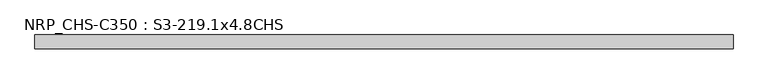
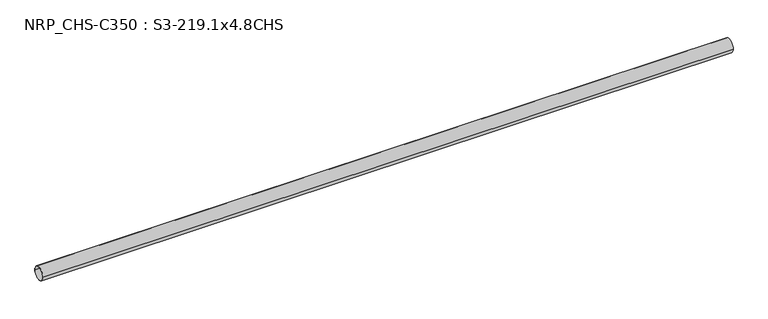
"""IFC4 building model written with IfcOpenShell, lengths in millimetres: beam geometry, NRP_CHS-C350 : S3-219.1x4.8CHS."""

from ifc_helpers import new_model, si_unit, point, frame, origin, origin_2d, place, context, project, spatial, circle_curve, trimmed, segment, composite_curve, outline, extrude, source, transform, mapped, element, save


def nrp_chs_c350_s3_219_1x4_8chs_5aff98b9(model_context):
    return source(origin(), model_context, "Body", "SweptSolid", [
        extrude(outline(composite_curve([segment(trimmed(circle_curve(origin_2d(), 109.55), [point((-109.55, 0.0))], [point((109.55, 0.0))], False, "CARTESIAN"), True, "CONTINUOUS"), segment(trimmed(circle_curve(origin_2d(), 109.55), [point((109.55, 0.0))], [point((-109.55, 0.0))], False, "CARTESIAN"), True, "CONTINUOUS")], self_intersect=False), holes=[composite_curve([segment(trimmed(circle_curve(origin_2d(), 104.75), [point((104.75, 0.0))], [point((-104.75, 0.0))], True, "CARTESIAN"), True, "CONTINUOUS"), segment(trimmed(circle_curve(origin_2d(), 104.75), [point((-104.75, 0.0))], [point((104.75, 0.0))], True, "CARTESIAN"), True, "CONTINUOUS")], self_intersect=False)]), frame((-5542.3, 0.0, 0.0), z_axis=(1.0, 0.0, 0.0), x_axis=(0.0, 1.0, 0.0)), (0.0, 0.0, 1.0), 11090.6),
    ])


if __name__ == "__main__":
    model = new_model("IFC4")
    model_context = context("Model", 3, world=origin())
    ifc_project = project(units=[si_unit("LENGTHUNIT", "METRE", prefix="MILLI")], contexts=[model_context])
    site = spatial("IfcSite", under=ifc_project)
    building = spatial("IfcBuilding", under=site)
    placement = place(None, origin())
    nrp_chs_c350_s3_219_1x4_8chs_shape = nrp_chs_c350_s3_219_1x4_8chs_5aff98b9(model_context)
    element("IfcBeam", 1, ObjectType="NRP_CHS-C350 : S3-219.1x4.8CHS", at=placement, inside=building, context=model_context, shape_type="MappedRepresentation", body=[
        mapped(nrp_chs_c350_s3_219_1x4_8chs_shape, transform((0.0, 0.0, 0.0), x_axis=(1.0, 0.0, 0.0), y_axis=(0.0, 1.0, 0.0), z_axis=(0.0, 0.0, 1.0))),
    ])
    save(model, "model.ifc")
